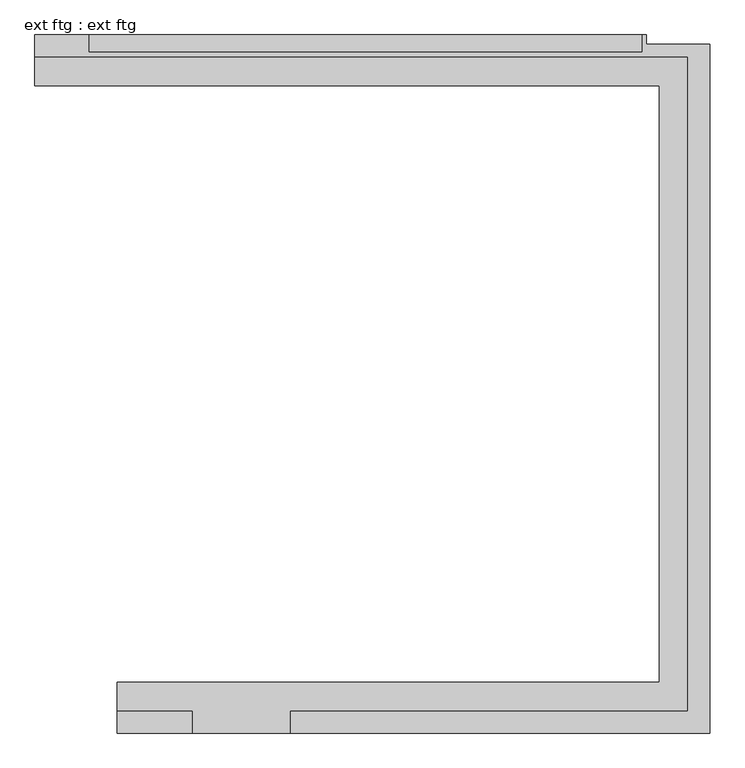
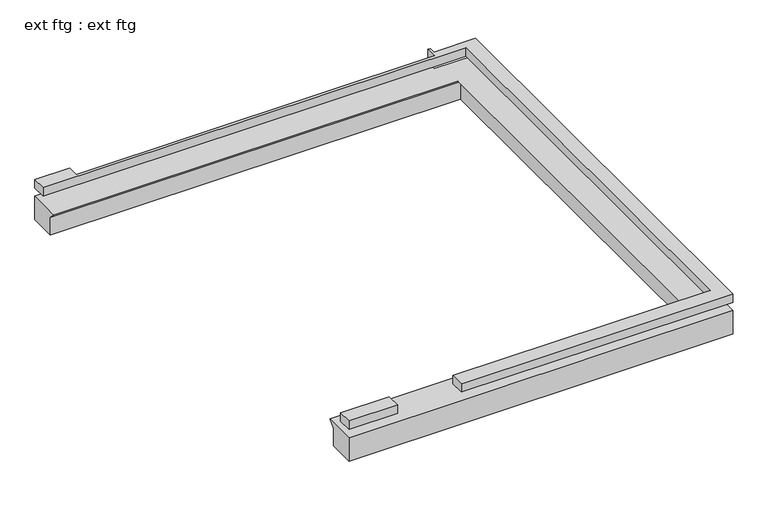
"""IFC4 building model written with IfcOpenShell, lengths in millimetres: proxy geometry, ext ftg : ext ftg."""

from ifc_helpers import new_model, si_unit, origin, place, context, project, spatial, faceted_brep, source, transform, mapped, element, save


def ext_ftg_ext_ftg_4a41566c(model_context):
    return source(origin(), model_context, "Body", "Brep", [
        faceted_brep([(-1920.9178132, 70.8406373, -254.0), (-1920.9178132, -18.0593627, -342.9), (-1920.9178132, -18.0593627, -609.6), (-1920.9178132, -399.0593627, -609.6), (-1920.9178132, -399.0593627, -254.0), (3575.0071868, -399.0593627, -609.6), (3575.0071868, -399.0593627, -254.0), (3105.1071868, 70.8406373, -254.0), (3194.0071868, -18.0593627, -342.9), (3194.0071868, -18.0593627, -609.6), (3194.0071868, 5689.0031373, -609.6), (-2682.9178132, 5689.0031373, -609.6), (-2682.9178132, 6070.0031373, -609.6), (2984.979801, 6070.0031373, -609.6), (2984.979801, 5982.2284674, -609.6), (3575.0071868, 5982.2284674, -609.6), (3105.1071868, 5600.1031373, -254.0), (3194.0071868, 5689.0031373, -342.9), (-2682.9178132, 5689.0031373, -342.9), (-2682.9178132, 5600.1031373, -254.0), (-2682.9178132, 6070.0031373, -254.0), (3575.0071868, 5982.2284674, -254.0), (2984.979801, 5982.2284674, -254.0), (2984.979801, 6070.0031373, -254.0), (2982.8696868, 6070.0031373, -254.0), (-2182.8553132, 6070.0031373, -254.0)], [[[0, 1, 2, 3, 4]], [[3, 5, 6, 4]], [[1, 0, 7, 8]], [[2, 1, 8, 9]], [[3, 2, 9, 10, 11, 12, 13, 14, 15, 5]], [[8, 7, 16, 17]], [[9, 8, 17, 10]], [[12, 11, 18, 19, 20]], [[17, 16, 19, 18]], [[11, 10, 17, 18]], [[0, 4, 6, 21, 22, 23, 24, 25, 20, 19, 16, 7]], [[6, 5, 15, 21]], [[12, 20, 25, 24, 23, 13]], [[22, 14, 13, 23]], [[14, 22, 21, 15]]]),
        faceted_brep([(-1920.9178132, -195.8593627, 0.0), (-1920.9178132, -399.0593627, 0.0), (-1225.4687967, -399.0593627, 0.0), (-1225.4687967, -195.8593627, 0.0), (-1920.9178132, -195.8593627, -127.0), (-1225.4687967, -195.8593627, -127.0), (-1225.4687967, -399.0593627, -127.0), (-1920.9178132, -399.0593627, -127.0)], [[[0, 1, 2, 3]], [[4, 0, 3, 5]], [[2, 6, 5, 3]], [[1, 0, 4, 7]], [[6, 2, 1, 7]], [[7, 4, 5, 6]]]),
        faceted_brep([(3575.0071868, -399.0593627, 0.0), (3575.0071868, -399.0593627, -127.0), (3575.0071868, 5982.2284674, -127.0), (3575.0071868, 5982.2284674, 0.0), (3371.8071868, -195.8593627, 0.0), (3371.8071868, 5866.8031373, 0.0), (3371.8071868, 5866.8031373, -127.0), (3371.8071868, -195.8593627, -127.0), (2947.9446868, 6070.0031373, -127.0), (2947.9446868, 6070.0031373, 0.0), (2984.979801, 6070.0031373, 0.0), (2984.979801, 6070.0031373, -127.0), (2982.8696868, 6070.0031373, -127.0), (-2682.9178132, 5866.8031373, 0.0), (-2682.9178132, 5866.8031373, -127.0), (-311.0687967, -399.0593627, -127.0), (-311.0687967, -399.0593627, 0.0), (-311.0687967, -195.8593627, 0.0), (-311.0687967, -195.8593627, -127.0), (-2182.8553132, 5909.0667591, 0.0), (2947.9446868, 5909.0667591, 0.0), (2947.9446868, 5909.0667591, -127.0), (-2182.8553132, 5909.0667591, -127.0), (-2182.8553132, 6070.0031373, 0.0), (-2182.8553132, 6070.0031373, -127.0), (-2682.9178132, 6070.0031373, -127.0), (2984.979801, 5982.2284674, -127.0), (-2682.9178132, 6070.0031373, 0.0), (2984.979801, 5982.2284674, 0.0)], [[[0, 1, 2, 3]], [[4, 5, 6, 7]], [[8, 9, 10, 11, 12]], [[5, 13, 14, 6]], [[15, 16, 17, 18]], [[19, 20, 21, 22]], [[20, 9, 8, 21]], [[23, 19, 22, 24]], [[1, 15, 18, 7, 6, 14, 25, 24, 22, 21, 8, 12, 11, 26, 2]], [[0, 16, 15, 1]], [[27, 13, 5, 4, 17, 16, 0, 3, 28, 10, 9, 20, 19, 23]], [[4, 7, 18, 17]], [[13, 27, 25, 14]], [[27, 23, 24, 25]], [[28, 26, 11, 10]], [[26, 28, 3, 2]]]),
    ])


if __name__ == "__main__":
    model = new_model("IFC4")
    model_context = context("Model", 3, world=origin())
    ifc_project = project(units=[si_unit("LENGTHUNIT", "METRE", prefix="MILLI")], contexts=[model_context])
    site = spatial("IfcSite", under=ifc_project)
    building = spatial("IfcBuilding", under=site)
    placement = place(None, origin())
    ext_ftg_ext_ftg_shape = ext_ftg_ext_ftg_4a41566c(model_context)
    element("IfcBuildingElementProxy", 1, Name="ext ftg : ext ftg", ObjectType="ext ftg : ext ftg", at=placement, inside=building, context=model_context, shape_type="MappedRepresentation", body=[
        mapped(ext_ftg_ext_ftg_shape, transform((0.0, 0.0, 0.0), x_axis=(1.0, 0.0, 0.0), y_axis=(0.0, 1.0, 0.0), z_axis=(0.0, 0.0, 1.0))),
    ])
    save(model, "model.ifc")
